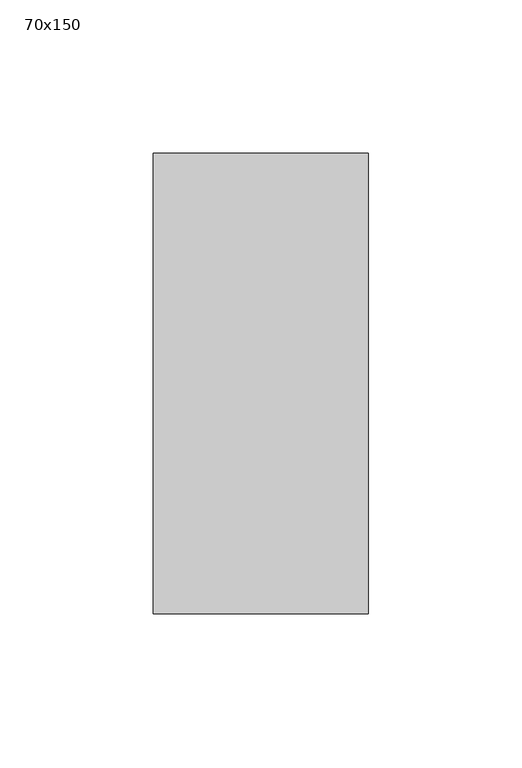
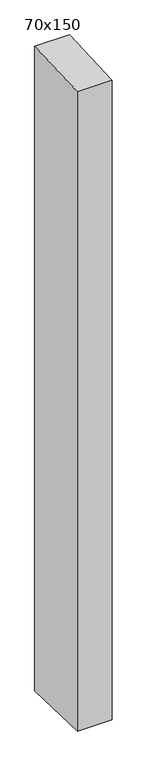
"""IFC4 building model written with IfcOpenShell, lengths in millimetres: member geometry, 70x150."""

from ifc_helpers import new_model, si_unit, frame, origin, place, context, project, spatial, polyline, outline, extrude, source, transform, mapped, element, save


def member_70x150_d344c11c(model_context):
    return source(origin(), model_context, "Body", "SweptSolid", [
        extrude(outline(polyline([(-75.0, -3.0352512), (75.0, 3.0352512), (75.0, -1374.7031681), (-75.0, -1370.9848117), (-75.0, -3.0352512)])), frame((-35.0, 0.0, 0.0), z_axis=(1.0, 0.0, 0.0), x_axis=(0.0, 1.0, 0.0)), (0.0, 0.0, 1.0), 70.0),
    ])


if __name__ == "__main__":
    model = new_model("IFC4")
    model_context = context("Model", 3, world=origin())
    ifc_project = project(units=[si_unit("LENGTHUNIT", "METRE", prefix="MILLI")], contexts=[model_context])
    site = spatial("IfcSite", under=ifc_project)
    building = spatial("IfcBuilding", under=site)
    placement = place(None, origin())
    member_70x150_shape = member_70x150_d344c11c(model_context)
    element("IfcMember", 1, ObjectType="70x150", at=placement, inside=building, context=model_context, shape_type="MappedRepresentation", body=[
        mapped(member_70x150_shape, transform((0.0, 0.0, 0.0), x_axis=(1.0, 0.0, 0.0), y_axis=(0.0, 1.0, 0.0), z_axis=(0.0, 0.0, 1.0))),
    ])
    save(model, "model.ifc")
